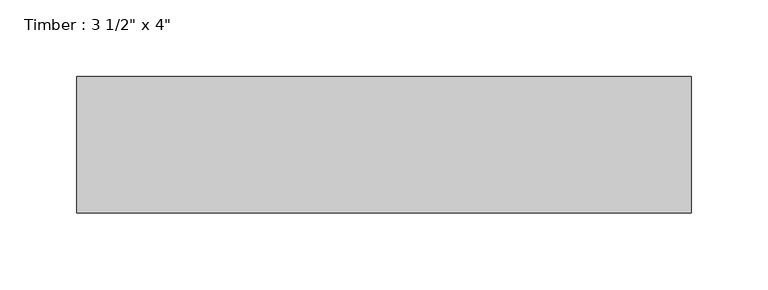
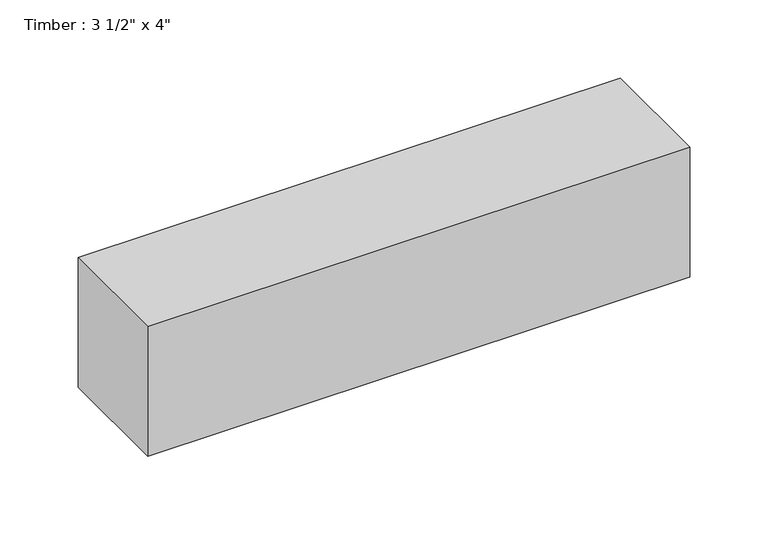
"""IFC4 building model written with IfcOpenShell, lengths in millimetres: beam geometry."""

from ifc_helpers import new_model, si_unit, frame, origin, place, context, project, spatial, polyline, outline, extrude, source, transform, mapped, element, save


def beam_0201a90a(model_context):
    return source(origin(), model_context, "Body", "SweptSolid", [
        extrude(outline(polyline([(200.1122646, 44.45), (200.1122646, -44.45), (-200.1122652, -44.45), (-200.1122652, 44.45), (200.1122646, 44.45)])), frame((0.0, 0.0, -50.8), z_axis=(0.0, 0.0, 1.0), x_axis=(1.0, 0.0, 0.0)), (0.0, 0.0, 1.0), 101.6),
    ])


if __name__ == "__main__":
    model = new_model("IFC4")
    model_context = context("Model", 3, world=origin())
    ifc_project = project(units=[si_unit("LENGTHUNIT", "METRE", prefix="MILLI")], contexts=[model_context])
    site = spatial("IfcSite", under=ifc_project)
    building = spatial("IfcBuilding", under=site)
    placement = place(None, origin())
    beam_shape = beam_0201a90a(model_context)
    element("IfcBeam", 1, ObjectType="Timber : 3 1/2\" x 4\"", at=placement, inside=building, context=model_context, shape_type="MappedRepresentation", body=[
        mapped(beam_shape, transform((0.0, 0.0, 0.0), x_axis=(1.0, 0.0, 0.0), y_axis=(0.0, 1.0, 0.0), z_axis=(0.0, 0.0, 1.0))),
    ])
    save(model, "model.ifc")
